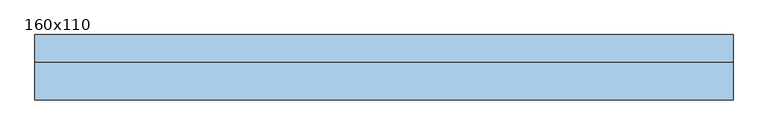
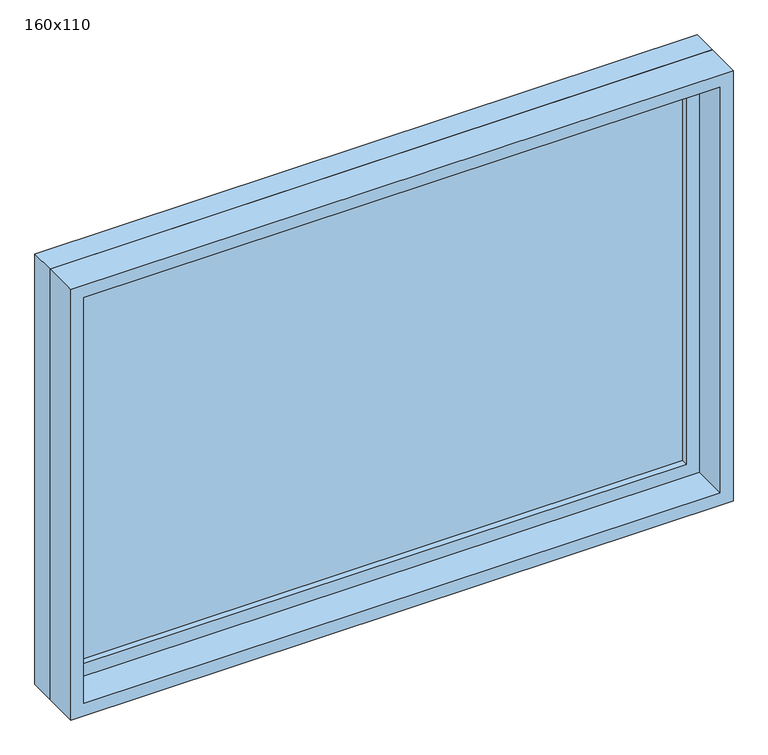
"""IFC4 building model written with IfcOpenShell, lengths in millimetres: window geometry, 160x110."""

from ifc_helpers import new_model, si_unit, frame, origin, place, context, project, spatial, polyline, outline, extrude, source, transform, mapped, element, save


def window_160x110_d65f55cf(model_context):
    return source(origin(), model_context, "Body", "SweptSolid", [
        extrude(outline(polyline([(698.4, 27.375), (-774.6, 27.375), (-774.6, 40.075), (698.4, 40.075), (698.4, 27.375)])), frame((0.0, 0.0, 977.9), z_axis=(0.0, 0.0, 1.0), x_axis=(1.0, 0.0, 0.0)), (0.0, 0.0, 1.0), 973.0),
        extrude(outline(polyline([(1995.35, -819.05), (933.45, -819.05), (933.45, 742.85), (1995.35, 742.85), (1995.35, -819.05)]), holes=[polyline([(1950.9, -774.6), (1950.9, 698.4), (977.9, 698.4), (977.9, -774.6), (1950.9, -774.6)])]), frame((0.0, 11.5, 0.0), z_axis=(0.0, 1.0, 0.0), x_axis=(0.0, 0.0, 1.0)), (0.0, 0.0, 1.0), 44.45),
        extrude(outline(polyline([(2014.4, -838.1), (914.4, -838.1), (914.4, 761.9), (2014.4, 761.9), (2014.4, -838.1)]), holes=[polyline([(1982.65, -806.35), (1982.65, 730.15), (946.15, 730.15), (946.15, -806.35), (1982.65, -806.35)])]), frame((0.0, -75.0, 0.0), z_axis=(0.0, 1.0, 0.0), x_axis=(0.0, 0.0, 1.0)), (0.0, 0.0, 1.0), 86.5),
        extrude(outline(polyline([(2014.4, 761.9), (2014.4, -838.1), (914.4, -838.1), (914.4, 761.9), (2014.4, 761.9)]), holes=[polyline([(1995.35, 742.85), (933.45, 742.85), (933.45, -819.05), (1995.35, -819.05), (1995.35, 742.85)])]), frame((0.0, 11.5, 0.0), z_axis=(0.0, 1.0, 0.0), x_axis=(0.0, 0.0, 1.0)), (0.0, 0.0, 1.0), 63.5),
    ])


if __name__ == "__main__":
    model = new_model("IFC4")
    model_context = context("Model", 3, world=origin())
    ifc_project = project(units=[si_unit("LENGTHUNIT", "METRE", prefix="MILLI")], contexts=[model_context])
    site = spatial("IfcSite", under=ifc_project)
    building = spatial("IfcBuilding", under=site)
    placement = place(None, origin())
    window_160x110_shape = window_160x110_d65f55cf(model_context)
    element("IfcWindow", 1, ObjectType="160x110", at=placement, inside=building, context=model_context, shape_type="MappedRepresentation", body=[
        mapped(window_160x110_shape, transform((0.0, 0.0, 0.0), x_axis=(1.0, 0.0, 0.0), y_axis=(0.0, 1.0, 0.0), z_axis=(0.0, 0.0, 1.0))),
    ])
    save(model, "model.ifc")
